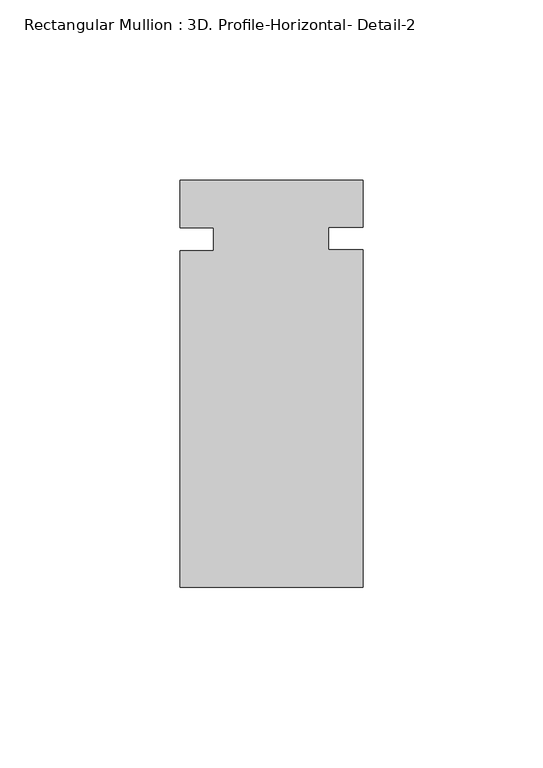
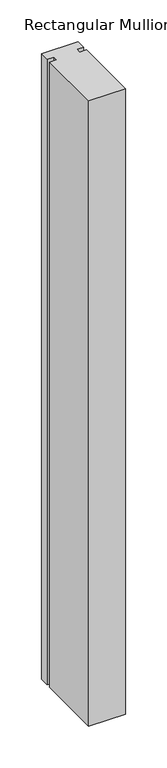
"""IFC4 building model written with IfcOpenShell, lengths in millimetres: member geometry, Rectangular Mullion : 3D. Profile-Horizontal- Detail-2."""

from ifc_helpers import new_model, si_unit, frame, origin, place, context, project, spatial, polyline, outline, extrude, source, transform, mapped, element, save


def rectangular_mullion_3d_profile_horizontal_detail_2_62bb8016(model_context):
    return source(origin(), model_context, "Body", "SweptSolid", [
        extrude(outline(polyline([(25.4, -39.2826875), (-25.4, -39.2826875), (-25.4, 54.211545), (-16.0655, 54.211545), (-16.0655, 60.561545), (-25.4, 60.561545), (-25.4, 73.7981125), (25.4, 73.7981125), (25.4, 60.7351778), (15.875, 60.7351778), (15.875, 54.3975801), (25.4, 54.3975801), (25.4, -39.2826875)])), frame((0.0, 0.0, -914.4), z_axis=(0.0, 0.0, 1.0), x_axis=(1.0, 0.0, 0.0)), (0.0, 0.0, 1.0), 914.4),
    ])


if __name__ == "__main__":
    model = new_model("IFC4")
    model_context = context("Model", 3, world=origin())
    ifc_project = project(units=[si_unit("LENGTHUNIT", "METRE", prefix="MILLI")], contexts=[model_context])
    site = spatial("IfcSite", under=ifc_project)
    building = spatial("IfcBuilding", under=site)
    placement = place(None, origin())
    rectangular_mullion_3d_profile_horizontal_detail_2_shape = rectangular_mullion_3d_profile_horizontal_detail_2_62bb8016(model_context)
    element("IfcMember", 1, ObjectType="Rectangular Mullion : 3D. Profile-Horizontal- Detail-2", at=placement, inside=building, context=model_context, shape_type="MappedRepresentation", body=[
        mapped(rectangular_mullion_3d_profile_horizontal_detail_2_shape, transform((0.0, 0.0, 0.0), x_axis=(1.0, 0.0, 0.0), y_axis=(0.0, 1.0, 0.0), z_axis=(0.0, 0.0, 1.0))),
    ])
    save(model, "model.ifc")
